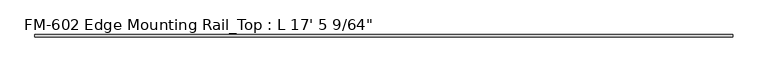
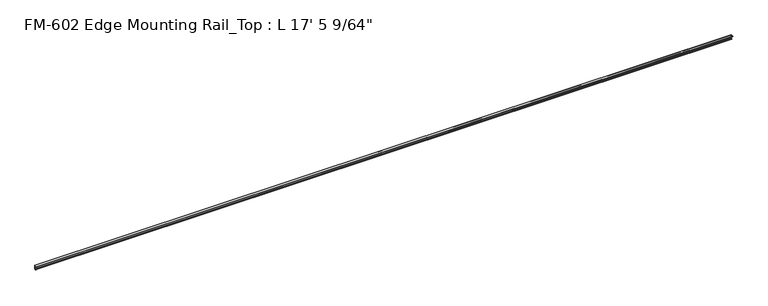
"""IFC4 building model written with IfcOpenShell, lengths in millimetres: proxy geometry."""

from ifc_helpers import new_model, si_unit, point, frame, frame_2d, origin, place, context, project, spatial, polyline, circle_curve, trimmed, segment, composite_curve, outline, extrude, source, transform, mapped, element, save


def proxy_137d7f9b(model_context):
    return source(origin(), model_context, "Body", "SweptSolid", [
        extrude(outline(composite_curve([segment(trimmed(circle_curve(frame_2d((14.5481808, -29.2063136)), 3.048), [point((13.6400687, -32.1158903))], [point((11.9462301, -30.7938136))], False, "CARTESIAN"), True, "CONTINUOUS"), segment(trimmed(circle_curve(frame_2d((14.5481808, -29.2063136)), 3.048), [point((11.9462301, -30.7938136))], [point((13.6400687, -26.2967369))], False, "CARTESIAN"), True, "CONTINUOUS"), segment(polyline([(13.6400687, -26.2967369), (15.4364113, -25.7360779)]), True, "CONTINUOUS"), segment(trimmed(circle_curve(frame_2d((15.6245238, -26.2747792)), 0.5706009), [point((15.4364113, -25.7360779))], [point((16.1779173, -26.4138515))], False, "CARTESIAN"), True, "CONTINUOUS"), segment(trimmed(circle_curve(frame_2d((16.9169378, -26.5995734)), 0.762), [point((16.1779173, -26.4138515))], [point((16.9376166, -27.3612928))], True, "CARTESIAN"), True, "CONTINUOUS"), segment(trimmed(circle_curve(frame_2d((16.9545, -26.8535734)), 0.508), [point((16.9376166, -27.3612928))], [point((17.4625, -26.8535734))], True, "CARTESIAN"), True, "CONTINUOUS"), segment(polyline([(17.4625, -26.8535734), (17.4625, -15.6659614), (17.9716639, -14.7485418), (17.9716639, -13.408381), (17.4625, -12.4909614), (17.4625, -3.5152595)]), True, "CONTINUOUS"), segment(trimmed(circle_curve(frame_2d((15.5575, -3.5152595)), 1.905), [point((17.4625, -3.5152595))], [point((15.5573314, -1.6102595))], True, "CARTESIAN"), True, "CONTINUOUS"), segment(polyline([(15.5573314, -1.6102595), (6.3856306, -1.6018315)]), True, "CONTINUOUS"), segment(trimmed(circle_curve(frame_2d((4.7981953, -1.5875)), 1.5875), [point((6.3856306, -1.6018315))], [point((3.2106953, -1.5875))], False, "CARTESIAN"), True, "CONTINUOUS"), segment(polyline([(3.2106953, -1.5875), (0.0, -1.5875), (0.0, 0.0), (19.05, 0.0), (19.05, -29.1395734), (17.7424378, -29.1395734)]), True, "CONTINUOUS"), segment(trimmed(circle_curve(frame_2d((17.7424378, -30.7270734)), 1.5875), [point((17.7424378, -29.1395734))], [point((16.1549378, -30.7270734))], True, "CARTESIAN"), True, "CONTINUOUS"), segment(polyline([(16.1549378, -30.7270734), (16.1549378, -32.2686835)]), True, "CONTINUOUS"), segment(trimmed(circle_curve(frame_2d((15.6853088, -32.2686835)), 0.4696291), [point((16.1549378, -32.2686835))], [point((15.4750158, -32.6885982))], False, "CARTESIAN"), True, "CONTINUOUS"), segment(polyline([(15.4750158, -32.6885982), (13.6400687, -32.1158903)]), True, "CONTINUOUS")], self_intersect=False)), frame((0.0, 0.0, 0.0), z_axis=(1.0, 0.0, 0.0), x_axis=(0.0, 1.0, 0.0)), (0.0, 0.0, 1.0), 5312.171875),
    ])


if __name__ == "__main__":
    model = new_model("IFC4")
    model_context = context("Model", 3, world=origin())
    ifc_project = project(units=[si_unit("LENGTHUNIT", "METRE", prefix="MILLI")], contexts=[model_context])
    site = spatial("IfcSite", under=ifc_project)
    building = spatial("IfcBuilding", under=site)
    placement = place(None, origin())
    proxy_shape = proxy_137d7f9b(model_context)
    element("IfcBuildingElementProxy", 1, Name="FM-602 Edge Mounting Rail_Top : L 17' 5 9/64\"", ObjectType="FM-602 Edge Mounting Rail_Top : L 17' 5 9/64\"", at=placement, inside=building, context=model_context, shape_type="MappedRepresentation", body=[
        mapped(proxy_shape, transform((0.0, 0.0, 0.0), x_axis=(1.0, 0.0, 0.0), y_axis=(0.0, 1.0, 0.0), z_axis=(0.0, 0.0, 1.0))),
    ])
    save(model, "model.ifc")
